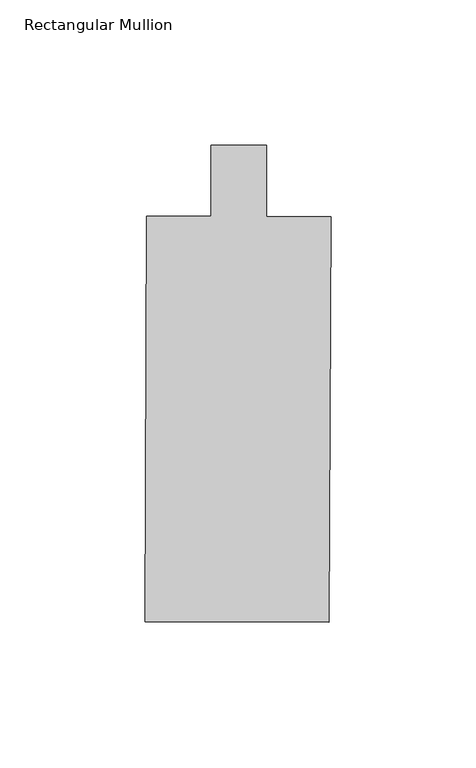
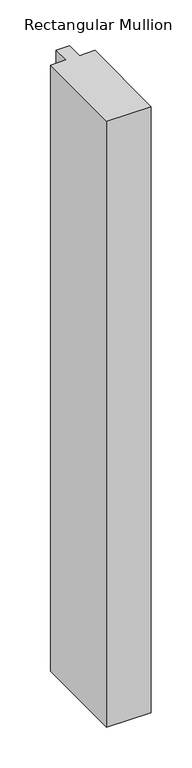
"""IFC4 building model written with IfcOpenShell, lengths in millimetres: member geometry, Rectangular Mullion."""

from ifc_helpers import new_model, si_unit, frame, origin, place, context, project, spatial, polyline, outline, extrude, source, transform, mapped, element, save


def rectangular_mullion_78910d35(model_context):
    return source(origin(), model_context, "Body", "SweptSolid", [
        extrude(outline(polyline([(30.9196676, -165.2438905), (-32.5796655, -164.9528656), (-31.9394107, -25.2543378), (-9.7147573, -25.356196), (-9.7147573, -0.79375), (9.335269, -0.79375), (9.335269, -25.4435045), (31.5599224, -25.5453627), (30.9196676, -165.2438905)])), frame((0.0, 0.0, -914.4), z_axis=(0.0, 0.0, 1.0), x_axis=(1.0, 0.0, 0.0)), (0.0, 0.0, 1.0), 914.4),
    ])


if __name__ == "__main__":
    model = new_model("IFC4")
    model_context = context("Model", 3, world=origin())
    ifc_project = project(units=[si_unit("LENGTHUNIT", "METRE", prefix="MILLI")], contexts=[model_context])
    site = spatial("IfcSite", under=ifc_project)
    building = spatial("IfcBuilding", under=site)
    placement = place(None, origin())
    rectangular_mullion_shape = rectangular_mullion_78910d35(model_context)
    element("IfcMember", 1, ObjectType="Rectangular Mullion", at=placement, inside=building, context=model_context, shape_type="MappedRepresentation", body=[
        mapped(rectangular_mullion_shape, transform((0.0, 0.0, 0.0), x_axis=(1.0, 0.0, 0.0), y_axis=(0.0, 1.0, 0.0), z_axis=(0.0, 0.0, 1.0))),
    ])
    save(model, "model.ifc")
